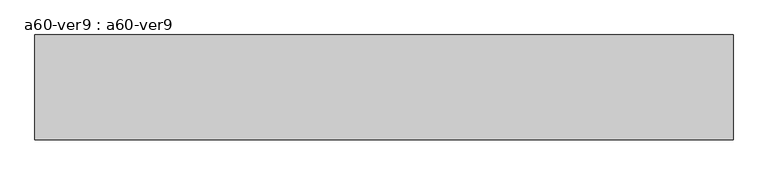
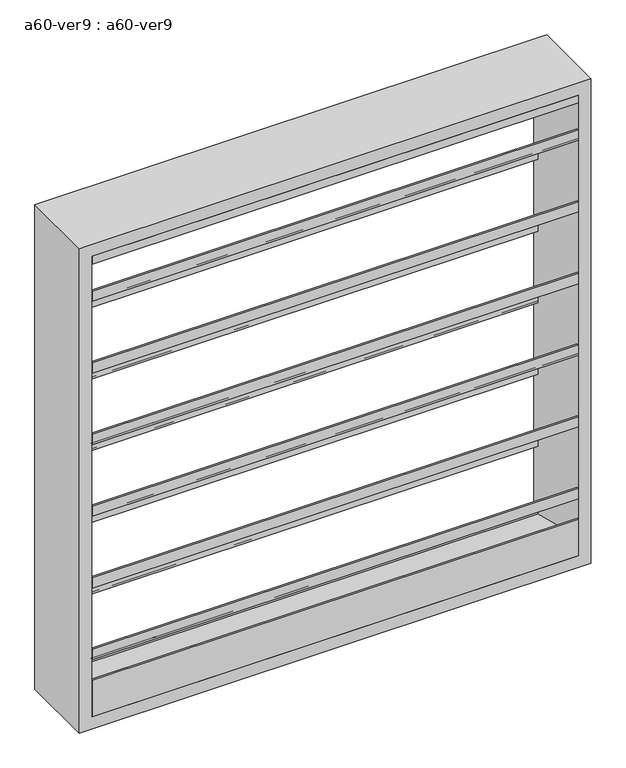
"""IFC4 building model written with IfcOpenShell, lengths in millimetres: proxy geometry, a60-ver9 : a60-ver9."""

from ifc_helpers import new_model, si_unit, frame, origin, place, context, project, spatial, polyline, outline, extrude, source, transform, mapped, element, save


def a60_ver9_a60_ver9_a011bc1d(model_context):
    return source(origin(), model_context, "Body", "SweptSolid", [
        extrude(outline(polyline([(-73.025, 700.0657367), (-73.025, 679.89979), (65.3071116, 573.7538275), (65.3071116, 555.9154476), (73.025, 549.9933035), (73.025, 574.7079125), (76.2, 574.7079125), (76.2, 546.1), (72.883344, 546.1), (62.1321116, 554.3497108), (62.1321116, 572.1880908), (-76.2, 678.3340533), (-76.2, 700.0657367), (-73.025, 700.0657367)])), frame((-482.6, 0.0, 0.0), z_axis=(1.0, 0.0, 0.0), x_axis=(0.0, 1.0, 0.0)), (0.0, 0.0, 1.0), 965.2),
        extrude(outline(polyline([(-73.025, 850.3490701), (-73.025, 830.1831234), (65.3071116, 724.0371609), (65.3071116, 706.1987809), (73.025, 700.2766368), (73.025, 724.9912458), (76.2, 724.9912458), (76.2, 696.3833333), (72.883344, 696.3833333), (62.1321116, 704.6330442), (62.1321116, 722.4714241), (-76.2, 828.6173866), (-76.2, 850.3490701), (-73.025, 850.3490701)])), frame((-482.6, 0.0, 0.0), z_axis=(1.0, 0.0, 0.0), x_axis=(0.0, 1.0, 0.0)), (0.0, 0.0, 1.0), 965.2),
        extrude(outline(polyline([(-73.025, 1000.6324034), (-73.025, 980.4664567), (65.3071116, 874.3204942), (65.3071116, 856.4821142), (73.025, 850.5599701), (73.025, 875.2745792), (76.2, 875.2745792), (76.2, 846.6666667), (72.883344, 846.6666667), (62.1321116, 854.9163775), (62.1321116, 872.7547575), (-76.2, 978.90072), (-76.2, 1000.6324034), (-73.025, 1000.6324034)])), frame((-482.6, 0.0, 0.0), z_axis=(1.0, 0.0, 0.0), x_axis=(0.0, 1.0, 0.0)), (0.0, 0.0, 1.0), 965.2),
        extrude(outline(polyline([(-73.025, 1150.9157367), (-73.025, 1130.74979), (65.3071116, 1024.6038275), (65.3071116, 1006.7654476), (73.025, 1000.8433035), (73.025, 1025.5579125), (76.2, 1025.5579125), (76.2, 996.95), (72.883344, 996.95), (62.1321116, 1005.1997108), (62.1321116, 1023.0380908), (-76.2, 1129.1840533), (-76.2, 1150.9157367), (-73.025, 1150.9157367)])), frame((-482.6, 0.0, 0.0), z_axis=(1.0, 0.0, 0.0), x_axis=(0.0, 1.0, 0.0)), (0.0, 0.0, 1.0), 965.2),
        extrude(outline(polyline([(-73.025, 1301.1990701), (-73.025, 1281.0331234), (65.3071116, 1174.8871609), (65.3071116, 1157.0487809), (73.025, 1151.1266368), (73.025, 1175.8412458), (76.2, 1175.8412458), (76.2, 1147.2333333), (72.883344, 1147.2333333), (62.1321116, 1155.4830442), (62.1321116, 1173.3214241), (-76.2, 1279.4673866), (-76.2, 1301.1990701), (-73.025, 1301.1990701)])), frame((-482.6, 0.0, 0.0), z_axis=(1.0, 0.0, 0.0), x_axis=(0.0, 1.0, 0.0)), (0.0, 0.0, 1.0), 965.2),
        extrude(outline(polyline([(-73.025, 1451.4824034), (-73.025, 1431.3164567), (65.3071116, 1325.1704942), (65.3071116, 1307.3321142), (73.025, 1301.4099701), (73.025, 1326.1245792), (76.2, 1326.1245792), (76.2, 1297.5166667), (72.883344, 1297.5166667), (62.1321116, 1305.7663775), (62.1321116, 1323.6047575), (-76.2, 1429.75072), (-76.2, 1451.4824034), (-73.025, 1451.4824034)])), frame((-482.6, 0.0, 0.0), z_axis=(1.0, 0.0, 0.0), x_axis=(0.0, 1.0, 0.0)), (0.0, 0.0, 1.0), 965.2),
        extrude(outline(polyline([(0.0, 1508.125), (76.2, 1447.8), (71.0848317, 1447.8), (-5.1151683, 1508.125), (-76.2, 1508.125), (-76.2, 1524.0), (76.2, 1524.0), (0.0, 1508.125)])), frame((-482.6, 0.0, 0.0), z_axis=(1.0, 0.0, 0.0), x_axis=(0.0, 1.0, 0.0)), (0.0, 0.0, 1.0), 965.2),
        extrude(outline(polyline([(76.2, 558.8), (-76.2, 558.8), (-76.2, 635.0), (-73.025, 635.0), (-73.025, 596.9), (76.2, 558.8)])), frame((-482.6, 0.0, 0.0), z_axis=(1.0, 0.0, 0.0), x_axis=(0.0, 1.0, 0.0)), (0.0, 0.0, 1.0), 965.2),
        extrude(outline(polyline([(533.4, -508.0), (533.4, 508.0), (1549.4, 508.0), (1549.4, -508.0), (533.4, -508.0)]), holes=[polyline([(558.8, -482.6), (1524.0, -482.6), (1524.0, 482.6), (558.8, 482.6), (558.8, -482.6)])]), frame((0.0, -76.2, 0.0), z_axis=(0.0, 1.0, 0.0), x_axis=(0.0, 0.0, 1.0)), (0.0, 0.0, 1.0), 152.4),
    ])


if __name__ == "__main__":
    model = new_model("IFC4")
    model_context = context("Model", 3, world=origin())
    ifc_project = project(units=[si_unit("LENGTHUNIT", "METRE", prefix="MILLI")], contexts=[model_context])
    site = spatial("IfcSite", under=ifc_project)
    building = spatial("IfcBuilding", under=site)
    placement = place(None, origin())
    a60_ver9_a60_ver9_shape = a60_ver9_a60_ver9_a011bc1d(model_context)
    element("IfcBuildingElementProxy", 1, Name="a60-ver9 : a60-ver9", ObjectType="a60-ver9 : a60-ver9", at=placement, inside=building, context=model_context, shape_type="MappedRepresentation", body=[
        mapped(a60_ver9_a60_ver9_shape, transform((0.0, 0.0, 0.0), x_axis=(1.0, 0.0, 0.0), y_axis=(0.0, 1.0, 0.0), z_axis=(0.0, 0.0, 1.0))),
    ])
    save(model, "model.ifc")
